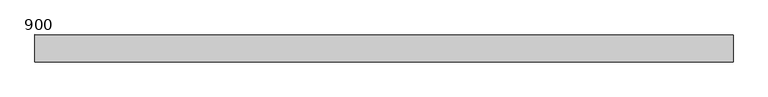
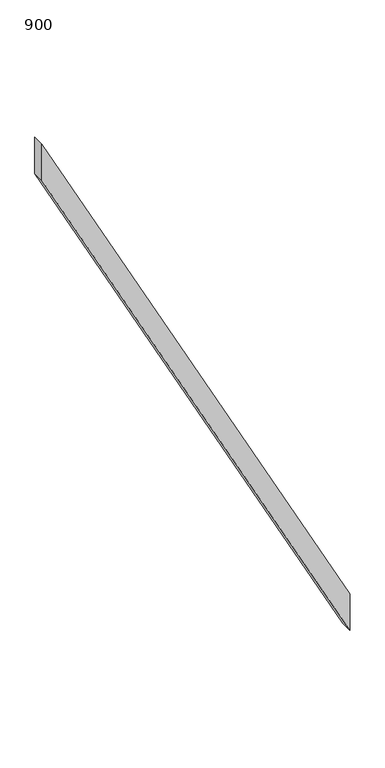
"""IFC4 building model written with IfcOpenShell, lengths in millimetres: railing geometry, 900."""

import ifcopenshell
import ifcopenshell.guid

model = None  # the IFC model being written
_history = None  # IfcOwnerHistory: only IFC2X3 demands one
_inside = {}  # id of a spatial element -> (the spatial element, [elements in it])
_under = {}  # id of a project, library or spatial element -> (it, [spatial elements below it])
_declared = {}  # id of a project -> (the project, [libraries it declares])
_typed = {}  # id of a type object -> (the type object, [elements of that type])
_made_of = {}  # id of a material, layer set ... -> (it, [elements and type objects made of it])


def new_model(schema):
    """Start an empty IFC model of exactly this schema.

    Asked for "IFC4X3", IfcOpenShell would pick the latest addendum, in which some entities
    have other attributes; the version numbers below select the first issue.
    IFC2X3 requires an IfcOwnerHistory on every rooted entity: one is made here for all.
    """
    global model, _history
    if schema == "IFC4X3":
        model = ifcopenshell.file(schema_version=(4, 3, 0, 0))
    else:
        model = ifcopenshell.file(schema=schema)
    _inside.clear()
    _under.clear()
    _declared.clear()
    _typed.clear()
    _made_of.clear()
    _history = None
    if model.schema == "IFC2X3":
        org = make("IfcOrganization", Name="unknown")
        user = make(
            "IfcPersonAndOrganization",
            ThePerson=make("IfcPerson", FamilyName="unknown"),
            TheOrganization=org,
        )
        app = make(
            "IfcApplication",
            ApplicationDeveloper=org,
            Version="unknown",
            ApplicationFullName="unknown",
            ApplicationIdentifier="unknown",
        )
        _history = make(
            "IfcOwnerHistory",
            OwningUser=user,
            OwningApplication=app,
            ChangeAction="ADDED",
            CreationDate=0,
        )
    return model


def make(cls, **values):
    """One entity of the class cls with the attributes given. An attribute that is None is left unset."""
    return model.create_entity(
        cls, **{name: value for name, value in values.items() if value is not None}
    )


def rooted(cls, **values):
    """An entity with a GlobalId (a new one), such as an element, a storey or a relation."""
    return make(cls, GlobalId=ifcopenshell.guid.new(), OwnerHistory=_history, **values)


def si_unit(unit_type, name, prefix=None):
    """IfcSIUnit, for example si_unit("LENGTHUNIT", "METRE", prefix="MILLI")."""
    return make("IfcSIUnit", UnitType=unit_type, Prefix=prefix, Name=name)


def assignment(units):
    """IfcUnitAssignment: the units of a project."""
    return None if units is None else make("IfcUnitAssignment", Units=units)


def point(xyz):
    """IfcCartesianPoint."""
    return None if xyz is None else make("IfcCartesianPoint", Coordinates=xyz)


def direction(xyz):
    """IfcDirection."""
    return None if xyz is None else make("IfcDirection", DirectionRatios=xyz)


def frame(location, z_axis=None, x_axis=None):
    """IfcAxis2Placement3D, a coordinate frame: its origin and axes. An axis left out is left unset."""
    return make(
        "IfcAxis2Placement3D",
        Location=point(location),
        Axis=direction(z_axis),
        RefDirection=direction(x_axis),
    )


def origin():
    """The frame at (0, 0, 0) with its axes left unset."""
    return frame((0.0, 0.0, 0.0))


def place(relative_to, where):
    """IfcLocalPlacement: puts the frame where relative to a parent placement (None: the world)."""
    return make(
        "IfcLocalPlacement", PlacementRelTo=relative_to, RelativePlacement=where
    )


def context(
    kind, dimensions, precision=None, world=None, true_north=None, identifier=None
):
    """IfcGeometricRepresentationContext, for example the 3D "Model" context."""
    return make(
        "IfcGeometricRepresentationContext",
        ContextIdentifier=identifier,
        ContextType=kind,
        CoordinateSpaceDimension=dimensions,
        Precision=precision,
        WorldCoordinateSystem=world,
        TrueNorth=true_north,
    )


def project(units=None, contexts=None):
    """IfcProject with its units and contexts."""
    return rooted(
        "IfcProject",
        Name="project",
        RepresentationContexts=contexts,
        UnitsInContext=assignment(units),
    )


def spatial(cls, under=None, at=None, **own):
    """A site, building, storey or space (cls), placed at a placement, below another one or the project."""
    s = rooted(cls, ObjectPlacement=at, **own)
    if under is not None:
        _under.setdefault(under.id(), (under, []))[1].append(s)
    return s


def polyline(points):
    """IfcPolyline through the points."""
    return make("IfcPolyline", Points=[point(p) for p in points])


def outline(outer, holes=None, kind="AREA"):
    """IfcArbitraryClosedProfileDef: a profile drawn as a closed curve; with holes, ...WithVoids."""
    if holes is None:
        return make("IfcArbitraryClosedProfileDef", ProfileType=kind, OuterCurve=outer)
    return make(
        "IfcArbitraryProfileDefWithVoids",
        ProfileType=kind,
        OuterCurve=outer,
        InnerCurves=holes,
    )


def extrude(swept, where, along, depth):
    """IfcExtrudedAreaSolid: the profile swept, set in the frame where, extruded along a direction by depth."""
    return make(
        "IfcExtrudedAreaSolid",
        SweptArea=swept,
        Position=where,
        ExtrudedDirection=direction(along),
        Depth=depth,
    )


def shape(context_of_items, identifier, shape_type, items):
    """IfcShapeRepresentation: the items that make up one representation, for example the "Body"."""
    return make(
        "IfcShapeRepresentation",
        ContextOfItems=context_of_items,
        RepresentationIdentifier=identifier,
        RepresentationType=shape_type,
        Items=items,
    )


def source(mapping_origin, context_of_items, identifier, shape_type, items):
    """IfcRepresentationMap: a shape defined once, which mapped items show again and again."""
    return make(
        "IfcRepresentationMap",
        MappingOrigin=mapping_origin,
        MappedRepresentation=shape(context_of_items, identifier, shape_type, items),
    )


def transform(
    local_origin,
    x_axis=None,
    y_axis=None,
    z_axis=None,
    scale=None,
    scale2=None,
    scale3=None,
    uniform=True,
):
    """IfcCartesianTransformationOperator3D, or its non-uniform kind. x_axis, y_axis, z_axis: its Axis1, 2, 3."""
    if uniform:
        return make(
            "IfcCartesianTransformationOperator3D",
            Axis1=direction(x_axis),
            Axis2=direction(y_axis),
            LocalOrigin=point(local_origin),
            Scale=scale,
            Axis3=direction(z_axis),
        )
    return make(
        "IfcCartesianTransformationOperator3DnonUniform",
        Axis1=direction(x_axis),
        Axis2=direction(y_axis),
        LocalOrigin=point(local_origin),
        Scale=scale,
        Axis3=direction(z_axis),
        Scale2=scale2,
        Scale3=scale3,
    )


def mapped(mapping_source, mapping_target):
    """IfcMappedItem: shows the shape of a source again, moved by a transform."""
    return make(
        "IfcMappedItem", MappingSource=mapping_source, MappingTarget=mapping_target
    )


def made_of(thing, what):
    """Note that an element or type object is made of a material, layer set ...; save() writes the relation."""
    if what is not None:
        _made_of.setdefault(what.id(), (what, []))[1].append(thing)
    return thing


def element(
    cls,
    number,
    at=None,
    inside=None,
    cuts=None,
    type_object=None,
    material=None,
    context=None,
    identifier="Body",
    shape_type=None,
    held_by="IfcProductDefinitionShape",
    body=None,
    shapes=None,
    **own,
):
    """One element of the class cls, such as IfcWall. Its Tag is "e" and its number.

    at: its placement. inside: the storey or other place that contains it. cuts: it is an
    opening in that element (IfcRelVoidsElement). A single representation is given by context,
    identifier, shape_type and body (its items); several are given by shapes. held_by: the class
    of the entity that holds the representations. save() writes the other relations.
    """
    e = rooted(cls, Tag="e%d" % number, ObjectPlacement=at, **own)
    if body is not None:
        shapes = [shape(context, identifier, shape_type, body)]
    if shapes is not None:
        e.Representation = make(held_by, Representations=shapes)
    if inside is not None:
        _inside.setdefault(inside.id(), (inside, []))[1].append(e)
    if cuts is not None:
        rooted(
            "IfcRelVoidsElement", RelatingBuildingElement=cuts, RelatedOpeningElement=e
        )
    if type_object is not None:
        _typed.setdefault(type_object.id(), (type_object, []))[1].append(e)
    return made_of(e, material)


def aggregate(whole, parts):
    """IfcRelAggregates: a whole, such as a stair, and the parts it consists of."""
    return rooted("IfcRelAggregates", RelatingObject=whole, RelatedObjects=parts)


def save(model, path):
    """Write the relations noted so far, then the file.

    IfcRelAggregates (storeys below a building ...), IfcRelContainedInSpatialStructure (elements
    in a storey), IfcRelDefinesByType, IfcRelAssociatesMaterial and IfcRelDeclares: one each for
    every whole, place, type object, material and project.
    """
    for whole, parts in _under.values():
        aggregate(whole, parts)
    for where, things in _inside.values():
        rooted(
            "IfcRelContainedInSpatialStructure",
            RelatedElements=things,
            RelatingStructure=where,
        )
    for kind, things in _typed.values():
        rooted("IfcRelDefinesByType", RelatedObjects=things, RelatingType=kind)
    for what, things in _made_of.values():
        rooted("IfcRelAssociatesMaterial", RelatedObjects=things, RelatingMaterial=what)
    for by, libraries in _declared.values():
        rooted("IfcRelDeclares", RelatingContext=by, RelatedDefinitions=libraries)
    model.write(path)


def railing_900_9fc2403d(model_context):
    return source(origin(), model_context, "Body", "SweptSolid", [
        extrude(outline(polyline([(926.1588272, 13156.9464631), (1089.2857143, 13156.9464631), (3550.0, 11856.9464631), (3386.873113, 11856.9464631), (926.1588272, 13156.9464631)])), frame((0.0, 19836.0, 0.0), z_axis=(0.0, 1.0, 0.0), x_axis=(0.0, 0.0, 1.0)), (0.0, 0.0, 1.0), 50.8),
    ])


if __name__ == "__main__":
    model = new_model("IFC4")
    model_context = context("Model", 3, world=origin())
    ifc_project = project(units=[si_unit("LENGTHUNIT", "METRE", prefix="MILLI")], contexts=[model_context])
    site = spatial("IfcSite", under=ifc_project)
    building = spatial("IfcBuilding", under=site)
    placement = place(None, origin())
    railing_900_shape = railing_900_9fc2403d(model_context)
    element("IfcRailing", 1, ObjectType="900", at=placement, inside=building, context=model_context, shape_type="MappedRepresentation", body=[
        mapped(railing_900_shape, transform((0.0, 0.0, 0.0), x_axis=(1.0, 0.0, 0.0), y_axis=(0.0, 1.0, 0.0), z_axis=(0.0, 0.0, 1.0))),
    ])
    save(model, "model.ifc")
